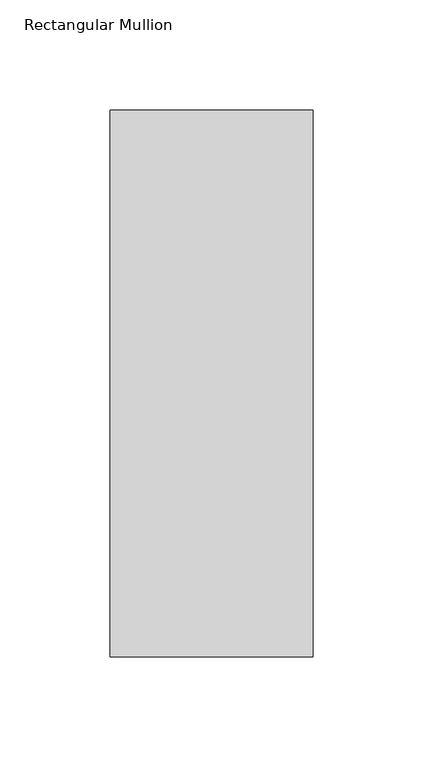
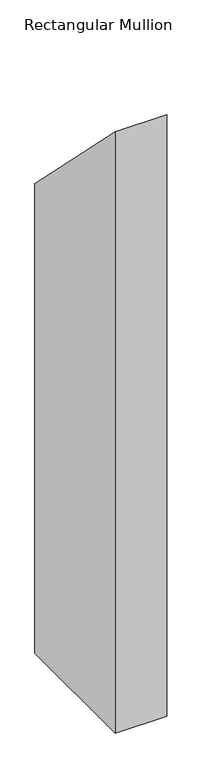
"""IFC4 building model written with IfcOpenShell, lengths in millimetres: member geometry, Rectangular Mullion."""

from ifc_helpers import new_model, si_unit, origin, place, context, project, spatial, faceted_brep, source, transform, mapped, element, save


def rectangular_mullion_eaa09ffe(model_context):
    return source(origin(), model_context, "Body", "Brep", [
        faceted_brep([(0.0154385, 295.1925444, -1181.4194229), (-0.0032178, 46.755144, -1181.4194229), (-92.1036175, 46.7620603, -1181.4194229), (-92.0849612, 295.1994606, -1181.4194229), (-92.0849612, 295.1994606, -295.1994606), (0.0154385, 295.1925444, -295.1925444), (-92.1036175, 46.7620603, -46.7620603), (-0.0032178, 46.755144, -46.755144)], [[[0, 1, 2, 3]], [[4, 5, 0, 3]], [[6, 4, 3, 2]], [[7, 6, 2, 1]], [[5, 7, 1, 0]], [[5, 4, 6, 7]]]),
    ])


if __name__ == "__main__":
    model = new_model("IFC4")
    model_context = context("Model", 3, world=origin())
    ifc_project = project(units=[si_unit("LENGTHUNIT", "METRE", prefix="MILLI")], contexts=[model_context])
    site = spatial("IfcSite", under=ifc_project)
    building = spatial("IfcBuilding", under=site)
    placement = place(None, origin())
    rectangular_mullion_shape = rectangular_mullion_eaa09ffe(model_context)
    element("IfcMember", 1, ObjectType="Rectangular Mullion", at=placement, inside=building, context=model_context, shape_type="MappedRepresentation", body=[
        mapped(rectangular_mullion_shape, transform((0.0, 0.0, 0.0), x_axis=(1.0, 0.0, 0.0), y_axis=(0.0, 1.0, 0.0), z_axis=(0.0, 0.0, 1.0))),
    ])
    save(model, "model.ifc")
